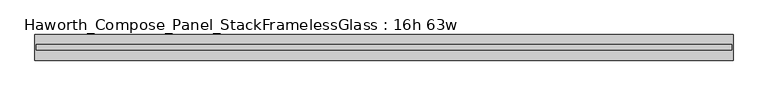
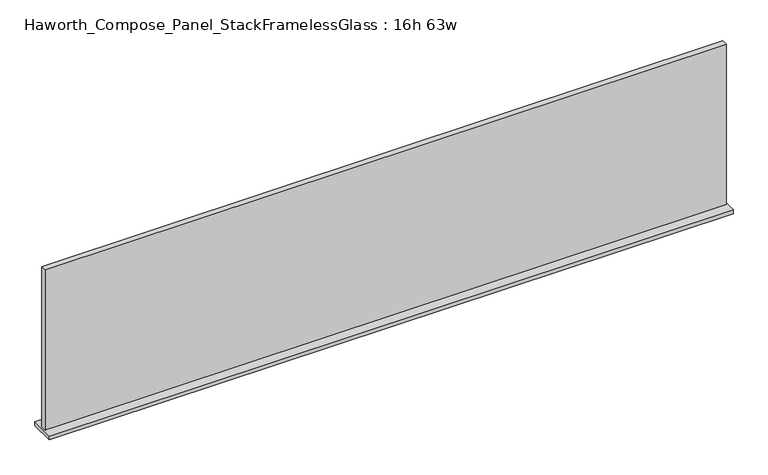
"""IFC4 building model written with IfcOpenShell, lengths in millimetres: furniture geometry, Haworth_Compose_Panel_StackFramelessGlass : 16h 63w."""

from ifc_helpers import new_model, si_unit, frame, origin, place, context, project, spatial, polyline, outline, extrude, source, transform, mapped, element, save


def haworth_compose_panel_stackframelessglass_16h_63w_71e980c7(model_context):
    return source(origin(), model_context, "Body", "SweptSolid", [
        extrude(outline(polyline([(799.3652902, -27.3093594), (-794.4847098, -27.3093594), (-794.4847098, -14.6093594), (799.3652902, -14.6093594), (799.3652902, -27.3093594)])), frame((0.0, 0.0, 1279.525), z_axis=(0.0, 0.0, 1.0), x_axis=(1.0, 0.0, 0.0)), (0.0, 0.0, 1.0), 396.875),
        extrude(outline(polyline([(-797.6597098, -50.3281094), (-797.6597098, 8.4093906), (802.5402902, 8.4093906), (802.5402902, -50.3281094), (-797.6597098, -50.3281094)])), frame((0.0, 0.0, 1270.0), z_axis=(0.0, 0.0, 1.0), x_axis=(1.0, 0.0, 0.0)), (0.0, 0.0, 1.0), 9.525),
    ])


if __name__ == "__main__":
    model = new_model("IFC4")
    model_context = context("Model", 3, world=origin())
    ifc_project = project(units=[si_unit("LENGTHUNIT", "METRE", prefix="MILLI")], contexts=[model_context])
    site = spatial("IfcSite", under=ifc_project)
    building = spatial("IfcBuilding", under=site)
    placement = place(None, origin())
    haworth_compose_panel_stackframelessglass_16h_63w_shape = haworth_compose_panel_stackframelessglass_16h_63w_71e980c7(model_context)
    element("IfcFurniture", 1, ObjectType="Haworth_Compose_Panel_StackFramelessGlass : 16h 63w", at=placement, inside=building, context=model_context, shape_type="MappedRepresentation", body=[
        mapped(haworth_compose_panel_stackframelessglass_16h_63w_shape, transform((0.0, 0.0, 0.0), x_axis=(1.0, 0.0, 0.0), y_axis=(0.0, 1.0, 0.0), z_axis=(0.0, 0.0, 1.0))),
    ])
    save(model, "model.ifc")
